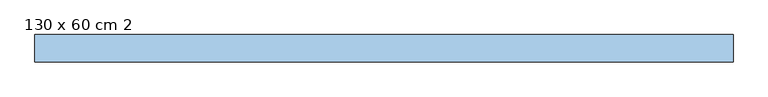
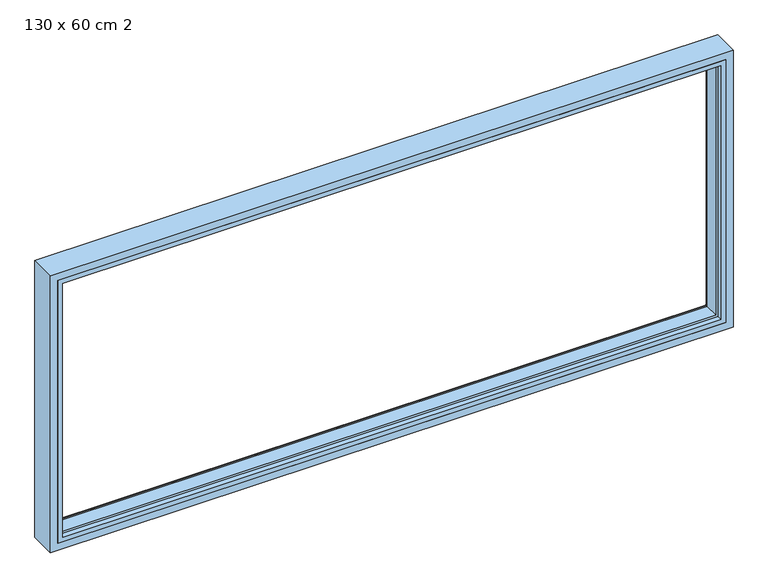
"""IFC4 building model written with IfcOpenShell, lengths in millimetres: window geometry, 130 x 60 cm 2."""

from ifc_helpers import new_model, si_unit, frame, origin, place, context, project, spatial, ellipse_curve, faceted_brep, source, transform, mapped, element, save
from ifc_brep_helpers import plane_surface, cylinder_surface, advanced_brep


def window_130_x_60_cm_2_1a6bd9ed(model_context):
    return source(origin(), model_context, "Body", "SolidModel", [
        faceted_brep([(-685.0, -20.0, 1385.0349779), (-685.0, 20.0, 1385.0349779), (-685.0, 20.0, 815.0), (-685.0, -20.0, 815.0), (685.0, 20.0, 1385.0349779), (685.0, 20.0, 815.0), (-670.0, 20.0, 1370.0349779), (-670.0, 20.0, 830.0), (670.0, 20.0, 830.0), (670.0, 20.0, 1370.0349779), (685.0, -20.0, 815.0), (685.0, -20.0, 1385.0349779), (675.0, -20.0, 1375.0349779), (675.0, -20.0, 825.0), (-675.0, -20.0, 825.0), (-675.0, -20.0, 1375.0349779), (-675.0, -10.0, 1375.0349779), (-675.0, -10.0, 825.0), (675.0, -10.0, 825.0), (675.0, -10.0, 1375.0349779), (670.0, -10.0, 1370.0349779), (670.0, -10.0, 830.0), (-670.0, -10.0, 830.0), (-670.0, -10.0, 1370.0349779)], [[[0, 1, 2, 3]], [[4, 5, 2, 1], [6, 7, 8, 9]], [[3, 2, 5, 10]], [[0, 3, 10, 11], [12, 13, 14, 15]], [[16, 15, 14, 17]], [[17, 14, 13, 18]], [[16, 17, 18, 19], [20, 21, 22, 23]], [[6, 23, 22, 7]], [[7, 22, 21, 8]], [[10, 5, 4, 11]], [[18, 13, 12, 19]], [[8, 21, 20, 9]], [[11, 4, 1, 0]], [[19, 12, 15, 16]], [[9, 20, 23, 6]]]),
        advanced_brep(
        [(-700.0, 35.0, 1400.0), (-700.0, 35.0, 800.0), (-700.0, -20.0, 800.0), (-700.0, -20.0, 1400.0), (700.0, 35.0, 1400.0), (700.0, 35.0, 800.0), (-680.0, 35.0, 820.0), (680.0, 35.0, 820.0), (680.0, 35.0, 1380.0), (-680.0, 35.0, 1380.0), (700.0, -20.0, 800.0), (700.0, -20.0, 1400.0), (-685.0, -20.0, 1385.0), (685.0, -20.0, 1385.0), (685.0, -20.0, 815.0), (-685.0, -20.0, 815.0), (-685.0, 20.0, 1385.0), (-685.0, 20.0, 815.0), (685.0, 20.0, 815.0), (685.0, 20.0, 1385.0), (-675.0, 20.0, 1375.0), (675.0, 20.0, 1375.0), (675.0, 20.0, 825.0), (-675.0, 20.0, 825.0), (-675.0, 30.0, 1375.0), (-675.0, 30.0, 825.0), (675.0, 30.0, 825.0), (675.0, 30.0, 1375.0)],
        [
            (0, 1),
            (1, 2),
            (2, 3),
            (3, 0),
            (0, 4),
            (4, 5),
            (5, 1),
            (6, 7),
            (7, 8),
            (8, 9),
            (9, 6),
            (5, 10),
            (10, 2),
            (10, 11),
            (11, 3),
            (12, 13),
            (13, 14),
            (14, 15),
            (15, 12),
            (16, 12),
            (15, 17),
            (17, 16),
            (14, 18),
            (18, 17),
            (18, 19),
            (19, 16),
            (20, 21),
            (21, 22),
            (22, 23),
            (23, 20),
            (24, 20),
            (23, 25),
            (25, 24),
            (22, 26),
            (26, 25),
            (9, 24, ellipse_curve(frame((-680.0, 30.0, 1380.0), z_axis=(-0.7071067811865475, 0.0, -0.7071067811865475), x_axis=(-0.7071067811865474, 0.0, 0.7071067811865476)), 7.0710678, 5.0)),
            (25, 6, ellipse_curve(frame((-680.0, 30.0, 820.0), z_axis=(-0.7071067811865475, 0.0, 0.7071067811865475), x_axis=(0.7071067811865474, 0.0, 0.7071067811865476)), 7.0710678, 5.0)),
            (26, 7, ellipse_curve(frame((680.0, 30.0, 820.0), z_axis=(-0.7071067811865475, 0.0, -0.7071067811865475), x_axis=(-0.7071067811865476, 0.0, 0.7071067811865474)), 7.0710678, 5.0)),
            (4, 11),
            (13, 19),
            (21, 27),
            (27, 26),
            (27, 8, ellipse_curve(frame((680.0, 30.0, 1380.0), z_axis=(0.7071067811865475, 0.0, -0.7071067811865475), x_axis=(-0.7071067811865474, 0.0, -0.7071067811865476)), 7.0710678, 5.0)),
            (24, 27),
        ],
        [
            plane_surface(frame((-700.0, 0.0, 1400.0), z_axis=(-1.0, 0.0, 0.0), x_axis=(0.0, 0.0, -1.0))),
            plane_surface(frame((680.0, 35.0, 1380.0), z_axis=(0.0, 1.0, 0.0), x_axis=(-1.0, 0.0, 0.0))),
            plane_surface(frame((-700.0, 0.0, 800.0), z_axis=(0.0, 0.0, -1.0), x_axis=(1.0, 0.0, 0.0))),
            plane_surface(frame((700.0, -20.0, 1400.0), z_axis=(0.0, -1.0, 0.0), x_axis=(-1.0, 0.0, 0.0))),
            plane_surface(frame((-685.0, -20.0, 1385.0), z_axis=(1.0, 0.0, 0.0), x_axis=(0.0, 0.0, -1.0))),
            plane_surface(frame((-685.0, -20.0, 815.0), z_axis=(0.0, 0.0, 1.0), x_axis=(1.0, 0.0, 0.0))),
            plane_surface(frame((685.0, 20.0, 1385.0), z_axis=(0.0, -1.0, 0.0), x_axis=(-1.0, 0.0, 0.0))),
            plane_surface(frame((-675.0, 20.0, 1375.0), z_axis=(1.0, 0.0, 0.0), x_axis=(0.0, 0.0, -1.0))),
            plane_surface(frame((-675.0, 20.0, 825.0), z_axis=(0.0, 0.0, 1.0), x_axis=(1.0, 0.0, 0.0))),
            cylinder_surface(frame((-680.0, 30.0, 1400.0), z_axis=(0.0, 0.0, 1.0), x_axis=(1.0, 0.0, 0.0)), 5.0),
            cylinder_surface(frame((-700.0, 30.0, 820.0), z_axis=(-1.0, 0.0, 0.0), x_axis=(0.0, 0.0, 1.0)), 5.0),
            plane_surface(frame((700.0, 0.0, 800.0), z_axis=(1.0, 0.0, 0.0), x_axis=(0.0, 0.0, 1.0))),
            plane_surface(frame((685.0, -20.0, 815.0), z_axis=(-1.0, 0.0, 0.0), x_axis=(0.0, 0.0, 1.0))),
            plane_surface(frame((675.0, 20.0, 825.0), z_axis=(-1.0, 0.0, 0.0), x_axis=(0.0, 0.0, 1.0))),
            cylinder_surface(frame((680.0, 30.0, 800.0), z_axis=(0.0, 0.0, -1.0), x_axis=(-1.0, 0.0, 0.0)), 5.0),
            plane_surface(frame((700.0, 0.0, 1400.0), z_axis=(0.0, 0.0, 1.0), x_axis=(-1.0, 0.0, 0.0))),
            plane_surface(frame((685.0, -20.0, 1385.0), z_axis=(0.0, 0.0, -1.0), x_axis=(-1.0, 0.0, 0.0))),
            plane_surface(frame((675.0, 20.0, 1375.0), z_axis=(0.0, 0.0, -1.0), x_axis=(-1.0, 0.0, 0.0))),
            cylinder_surface(frame((700.0, 30.0, 1380.0), z_axis=(1.0, 0.0, 0.0), x_axis=(0.0, 0.0, -1.0)), 5.0),
        ],
        [
            (0, [[1, 2, 3, 4]]),
            (1, [[5, 6, 7, -1], [8, 9, 10, 11]]),
            (2, [[-2, -7, 12, 13]]),
            (3, [[-13, 14, 15, -3], [16, 17, 18, 19]]),
            (4, [[20, -19, 21, 22]]),
            (5, [[-21, -18, 23, 24]]),
            (6, [[-24, 25, 26, -22], [27, 28, 29, 30]]),
            (7, [[31, -30, 32, 33]]),
            (8, [[-32, -29, 34, 35]]),
            (9, [[36, -33, 37, -11]]),
            (10, [[-37, -35, 38, -8]]),
            (11, [[-12, -6, 39, -14]]),
            (12, [[-23, -17, 40, -25]]),
            (13, [[-34, -28, 41, 42]]),
            (14, [[-38, -42, 43, -9]]),
            (15, [[-39, -5, -4, -15]]),
            (16, [[-40, -16, -20, -26]]),
            (17, [[-41, -27, -31, 44]]),
            (18, [[-43, -44, -36, -10]]),
        ],
    ),
    ])


if __name__ == "__main__":
    model = new_model("IFC4")
    model_context = context("Model", 3, world=origin())
    ifc_project = project(units=[si_unit("LENGTHUNIT", "METRE", prefix="MILLI")], contexts=[model_context])
    site = spatial("IfcSite", under=ifc_project)
    building = spatial("IfcBuilding", under=site)
    placement = place(None, origin())
    window_130_x_60_cm_2_shape = window_130_x_60_cm_2_1a6bd9ed(model_context)
    element("IfcWindow", 1, ObjectType="130 x 60 cm 2", at=placement, inside=building, context=model_context, shape_type="MappedRepresentation", body=[
        mapped(window_130_x_60_cm_2_shape, transform((0.0, 0.0, 0.0), x_axis=(1.0, 0.0, 0.0), y_axis=(0.0, 1.0, 0.0), z_axis=(0.0, 0.0, 1.0))),
    ])
    save(model, "model.ifc")
